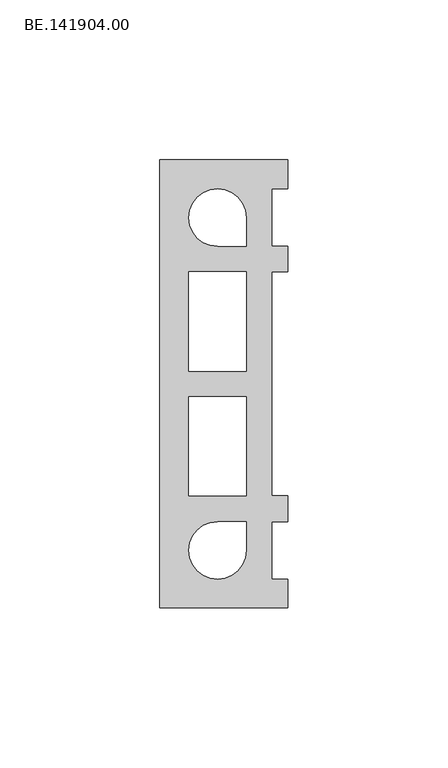
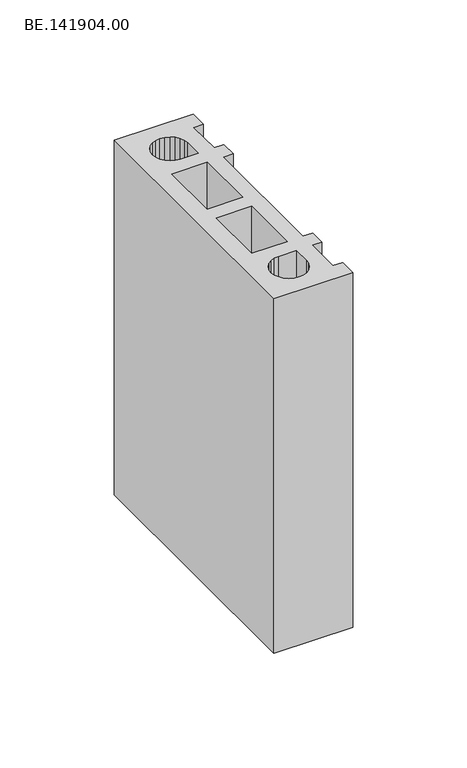
"""IFC4 building model written with IfcOpenShell, lengths in millimetres: proxy geometry, BE.141904.00."""

from ifc_helpers import new_model, si_unit, origin, origin_with_axes, place, context, project, spatial, polyline, outline, extrude, source, transform, mapped, element, save


def be_141904_00_cd293adf(model_context):
    return source(origin(), model_context, "Body", "SweptSolid", [
        extrude(outline(polyline([(5.0, 70.0050293), (45.0, 70.0050293), (45.0, 60.9823242), (39.9956543, 60.9823242), (39.9956543, 42.9927246), (45.0, 42.9927246), (45.0, 34.9932129), (39.9956543, 34.9932129), (39.9956543, -35.0118164), (45.0, -35.0118164), (45.0, -43.0113281), (39.9956543, -43.0113281), (39.9956543, -61.0195312), (45.0, -61.0195312), (45.0, -70.0050293), (5.0, -70.0050293), (5.0, 70.0050293)]), holes=[polyline([(18.4899902, 59.7730957), (16.6296387, 58.3592285), (15.197168, 56.4802734), (14.3041992, 54.3222656), (13.9879395, 51.9782227), (14.3041992, 49.6527832), (15.197168, 47.4947754), (16.6296387, 45.6158203), (18.4899902, 44.2019531), (20.6666016, 43.2903809), (22.992041, 42.9927246), (31.9961426, 42.9927246), (31.9961426, 51.9782227), (31.6798828, 54.3222656), (30.7869141, 56.4802734), (29.3544434, 58.3592285), (27.4940918, 59.7730957), (25.3174805, 60.684668), (22.992041, 60.9823242), (20.6666016, 60.684668), (18.4899902, 59.7730957)]), polyline([(13.9879395, 34.9932129), (13.9879395, 3.9811523), (31.9961426, 3.9811523), (31.9961426, 34.9932129), (13.9879395, 34.9932129)]), polyline([(13.9879395, -35.0118164), (31.9961426, -35.0118164), (31.9961426, -4.0183594), (13.9879395, -4.0183594), (13.9879395, -35.0118164)]), polyline([(31.9961426, -43.0113281), (22.992041, -43.0113281), (20.6666016, -43.3275879), (18.4899902, -44.2205566), (16.6296387, -45.6530273), (15.197168, -47.5133789), (14.3041992, -49.6899902), (13.9879395, -52.0154297), (14.3041992, -54.3408691), (15.197168, -56.5174805), (16.6296387, -58.377832), (18.4899902, -59.8103027), (20.6666016, -60.7032715), (22.992041, -61.0195312), (25.3174805, -60.7032715), (27.4940918, -59.8103027), (29.3544434, -58.377832), (30.7869141, -56.5174805), (31.6798828, -54.3408691), (31.9961426, -52.0154297), (31.9961426, -43.0113281)])]), origin_with_axes(), (0.0, 0.0, 1.0), 190.0),
    ])


if __name__ == "__main__":
    model = new_model("IFC4")
    model_context = context("Model", 3, world=origin())
    ifc_project = project(units=[si_unit("LENGTHUNIT", "METRE", prefix="MILLI")], contexts=[model_context])
    site = spatial("IfcSite", under=ifc_project)
    building = spatial("IfcBuilding", under=site)
    placement = place(None, origin())
    be_141904_00_shape = be_141904_00_cd293adf(model_context)
    element("IfcBuildingElementProxy", 1, Name="BE.141904.00", ObjectType="BE.141904.00", at=placement, inside=building, context=model_context, shape_type="MappedRepresentation", body=[
        mapped(be_141904_00_shape, transform((0.0, 0.0, 0.0), x_axis=(1.0, 0.0, 0.0), y_axis=(0.0, 1.0, 0.0), z_axis=(0.0, 0.0, 1.0))),
    ])
    save(model, "model.ifc")
